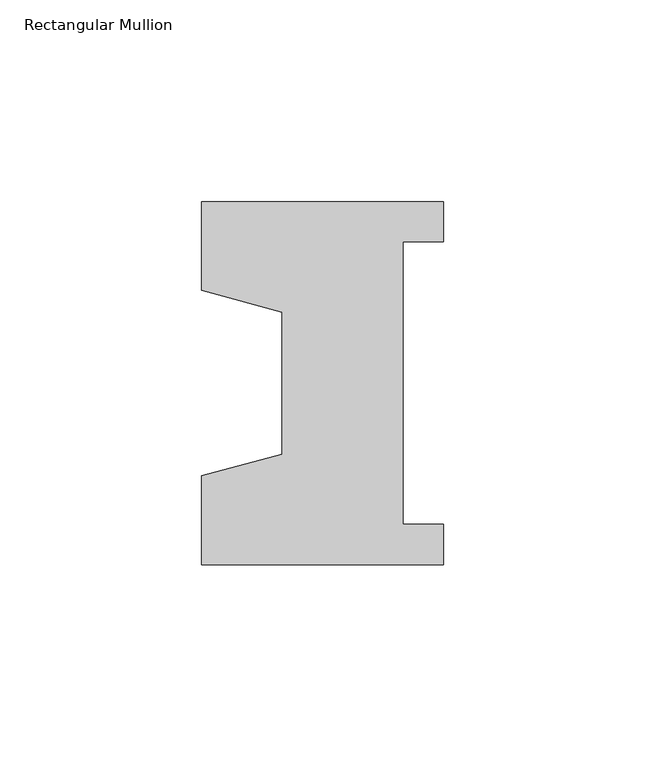
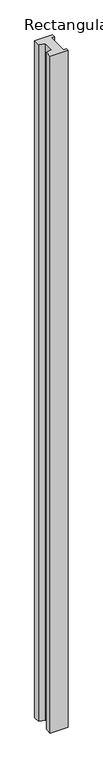
"""IFC4 building model written with IfcOpenShell, lengths in millimetres: member geometry, Rectangular Mullion."""

import ifcopenshell
import ifcopenshell.guid

model = None  # the IFC model being written
_history = None  # IfcOwnerHistory: only IFC2X3 demands one
_inside = {}  # id of a spatial element -> (the spatial element, [elements in it])
_under = {}  # id of a project, library or spatial element -> (it, [spatial elements below it])
_declared = {}  # id of a project -> (the project, [libraries it declares])
_typed = {}  # id of a type object -> (the type object, [elements of that type])
_made_of = {}  # id of a material, layer set ... -> (it, [elements and type objects made of it])


def new_model(schema):
    """Start an empty IFC model of exactly this schema.

    Asked for "IFC4X3", IfcOpenShell would pick the latest addendum, in which some entities
    have other attributes; the version numbers below select the first issue.
    IFC2X3 requires an IfcOwnerHistory on every rooted entity: one is made here for all.
    """
    global model, _history
    if schema == "IFC4X3":
        model = ifcopenshell.file(schema_version=(4, 3, 0, 0))
    else:
        model = ifcopenshell.file(schema=schema)
    _inside.clear()
    _under.clear()
    _declared.clear()
    _typed.clear()
    _made_of.clear()
    _history = None
    if model.schema == "IFC2X3":
        org = make("IfcOrganization", Name="unknown")
        user = make(
            "IfcPersonAndOrganization",
            ThePerson=make("IfcPerson", FamilyName="unknown"),
            TheOrganization=org,
        )
        app = make(
            "IfcApplication",
            ApplicationDeveloper=org,
            Version="unknown",
            ApplicationFullName="unknown",
            ApplicationIdentifier="unknown",
        )
        _history = make(
            "IfcOwnerHistory",
            OwningUser=user,
            OwningApplication=app,
            ChangeAction="ADDED",
            CreationDate=0,
        )
    return model


def make(cls, **values):
    """One entity of the class cls with the attributes given. An attribute that is None is left unset."""
    return model.create_entity(
        cls, **{name: value for name, value in values.items() if value is not None}
    )


def rooted(cls, **values):
    """An entity with a GlobalId (a new one), such as an element, a storey or a relation."""
    return make(cls, GlobalId=ifcopenshell.guid.new(), OwnerHistory=_history, **values)


def si_unit(unit_type, name, prefix=None):
    """IfcSIUnit, for example si_unit("LENGTHUNIT", "METRE", prefix="MILLI")."""
    return make("IfcSIUnit", UnitType=unit_type, Prefix=prefix, Name=name)


def assignment(units):
    """IfcUnitAssignment: the units of a project."""
    return None if units is None else make("IfcUnitAssignment", Units=units)


def point(xyz):
    """IfcCartesianPoint."""
    return None if xyz is None else make("IfcCartesianPoint", Coordinates=xyz)


def direction(xyz):
    """IfcDirection."""
    return None if xyz is None else make("IfcDirection", DirectionRatios=xyz)


def frame(location, z_axis=None, x_axis=None):
    """IfcAxis2Placement3D, a coordinate frame: its origin and axes. An axis left out is left unset."""
    return make(
        "IfcAxis2Placement3D",
        Location=point(location),
        Axis=direction(z_axis),
        RefDirection=direction(x_axis),
    )


def origin():
    """The frame at (0, 0, 0) with its axes left unset."""
    return frame((0.0, 0.0, 0.0))


def place(relative_to, where):
    """IfcLocalPlacement: puts the frame where relative to a parent placement (None: the world)."""
    return make(
        "IfcLocalPlacement", PlacementRelTo=relative_to, RelativePlacement=where
    )


def context(
    kind, dimensions, precision=None, world=None, true_north=None, identifier=None
):
    """IfcGeometricRepresentationContext, for example the 3D "Model" context."""
    return make(
        "IfcGeometricRepresentationContext",
        ContextIdentifier=identifier,
        ContextType=kind,
        CoordinateSpaceDimension=dimensions,
        Precision=precision,
        WorldCoordinateSystem=world,
        TrueNorth=true_north,
    )


def project(units=None, contexts=None):
    """IfcProject with its units and contexts."""
    return rooted(
        "IfcProject",
        Name="project",
        RepresentationContexts=contexts,
        UnitsInContext=assignment(units),
    )


def spatial(cls, under=None, at=None, **own):
    """A site, building, storey or space (cls), placed at a placement, below another one or the project."""
    s = rooted(cls, ObjectPlacement=at, **own)
    if under is not None:
        _under.setdefault(under.id(), (under, []))[1].append(s)
    return s


def polyline(points):
    """IfcPolyline through the points."""
    return make("IfcPolyline", Points=[point(p) for p in points])


def outline(outer, holes=None, kind="AREA"):
    """IfcArbitraryClosedProfileDef: a profile drawn as a closed curve; with holes, ...WithVoids."""
    if holes is None:
        return make("IfcArbitraryClosedProfileDef", ProfileType=kind, OuterCurve=outer)
    return make(
        "IfcArbitraryProfileDefWithVoids",
        ProfileType=kind,
        OuterCurve=outer,
        InnerCurves=holes,
    )


def extrude(swept, where, along, depth):
    """IfcExtrudedAreaSolid: the profile swept, set in the frame where, extruded along a direction by depth."""
    return make(
        "IfcExtrudedAreaSolid",
        SweptArea=swept,
        Position=where,
        ExtrudedDirection=direction(along),
        Depth=depth,
    )


def shape(context_of_items, identifier, shape_type, items):
    """IfcShapeRepresentation: the items that make up one representation, for example the "Body"."""
    return make(
        "IfcShapeRepresentation",
        ContextOfItems=context_of_items,
        RepresentationIdentifier=identifier,
        RepresentationType=shape_type,
        Items=items,
    )


def source(mapping_origin, context_of_items, identifier, shape_type, items):
    """IfcRepresentationMap: a shape defined once, which mapped items show again and again."""
    return make(
        "IfcRepresentationMap",
        MappingOrigin=mapping_origin,
        MappedRepresentation=shape(context_of_items, identifier, shape_type, items),
    )


def transform(
    local_origin,
    x_axis=None,
    y_axis=None,
    z_axis=None,
    scale=None,
    scale2=None,
    scale3=None,
    uniform=True,
):
    """IfcCartesianTransformationOperator3D, or its non-uniform kind. x_axis, y_axis, z_axis: its Axis1, 2, 3."""
    if uniform:
        return make(
            "IfcCartesianTransformationOperator3D",
            Axis1=direction(x_axis),
            Axis2=direction(y_axis),
            LocalOrigin=point(local_origin),
            Scale=scale,
            Axis3=direction(z_axis),
        )
    return make(
        "IfcCartesianTransformationOperator3DnonUniform",
        Axis1=direction(x_axis),
        Axis2=direction(y_axis),
        LocalOrigin=point(local_origin),
        Scale=scale,
        Axis3=direction(z_axis),
        Scale2=scale2,
        Scale3=scale3,
    )


def mapped(mapping_source, mapping_target):
    """IfcMappedItem: shows the shape of a source again, moved by a transform."""
    return make(
        "IfcMappedItem", MappingSource=mapping_source, MappingTarget=mapping_target
    )


def made_of(thing, what):
    """Note that an element or type object is made of a material, layer set ...; save() writes the relation."""
    if what is not None:
        _made_of.setdefault(what.id(), (what, []))[1].append(thing)
    return thing


def element(
    cls,
    number,
    at=None,
    inside=None,
    cuts=None,
    type_object=None,
    material=None,
    context=None,
    identifier="Body",
    shape_type=None,
    held_by="IfcProductDefinitionShape",
    body=None,
    shapes=None,
    **own,
):
    """One element of the class cls, such as IfcWall. Its Tag is "e" and its number.

    at: its placement. inside: the storey or other place that contains it. cuts: it is an
    opening in that element (IfcRelVoidsElement). A single representation is given by context,
    identifier, shape_type and body (its items); several are given by shapes. held_by: the class
    of the entity that holds the representations. save() writes the other relations.
    """
    e = rooted(cls, Tag="e%d" % number, ObjectPlacement=at, **own)
    if body is not None:
        shapes = [shape(context, identifier, shape_type, body)]
    if shapes is not None:
        e.Representation = make(held_by, Representations=shapes)
    if inside is not None:
        _inside.setdefault(inside.id(), (inside, []))[1].append(e)
    if cuts is not None:
        rooted(
            "IfcRelVoidsElement", RelatingBuildingElement=cuts, RelatedOpeningElement=e
        )
    if type_object is not None:
        _typed.setdefault(type_object.id(), (type_object, []))[1].append(e)
    return made_of(e, material)


def aggregate(whole, parts):
    """IfcRelAggregates: a whole, such as a stair, and the parts it consists of."""
    return rooted("IfcRelAggregates", RelatingObject=whole, RelatedObjects=parts)


def save(model, path):
    """Write the relations noted so far, then the file.

    IfcRelAggregates (storeys below a building ...), IfcRelContainedInSpatialStructure (elements
    in a storey), IfcRelDefinesByType, IfcRelAssociatesMaterial and IfcRelDeclares: one each for
    every whole, place, type object, material and project.
    """
    for whole, parts in _under.values():
        aggregate(whole, parts)
    for where, things in _inside.values():
        rooted(
            "IfcRelContainedInSpatialStructure",
            RelatedElements=things,
            RelatingStructure=where,
        )
    for kind, things in _typed.values():
        rooted("IfcRelDefinesByType", RelatedObjects=things, RelatingType=kind)
    for what, things in _made_of.values():
        rooted("IfcRelAssociatesMaterial", RelatedObjects=things, RelatingMaterial=what)
    for by, libraries in _declared.values():
        rooted("IfcRelDeclares", RelatingContext=by, RelatedDefinitions=libraries)
    model.write(path)


def rectangular_mullion_1bf65263(model_context):
    return source(origin(), model_context, "Body", "SweptSolid", [
        extrude(outline(polyline([(-60.0, 45.0), (0.0, 45.0), (0.0, 35.0), (-10.0, 35.0), (-10.0, -35.0), (0.0, -35.0), (0.0, -45.0), (-60.0, -45.0), (-60.0, -22.9993165), (-40.0, -17.6401049), (-40.0, 17.6401049), (-60.0, 22.9993165), (-60.0, 45.0)])), frame((0.0, 0.0, -2400.0), z_axis=(0.0, 0.0, 1.0), x_axis=(1.0, 0.0, 0.0)), (0.0, 0.0, 1.0), 2400.0),
    ])


if __name__ == "__main__":
    model = new_model("IFC4")
    model_context = context("Model", 3, world=origin())
    ifc_project = project(units=[si_unit("LENGTHUNIT", "METRE", prefix="MILLI")], contexts=[model_context])
    site = spatial("IfcSite", under=ifc_project)
    building = spatial("IfcBuilding", under=site)
    placement = place(None, origin())
    rectangular_mullion_shape = rectangular_mullion_1bf65263(model_context)
    element("IfcMember", 1, ObjectType="Rectangular Mullion", at=placement, inside=building, context=model_context, shape_type="MappedRepresentation", body=[
        mapped(rectangular_mullion_shape, transform((0.0, 0.0, 0.0), x_axis=(1.0, 0.0, 0.0), y_axis=(0.0, 1.0, 0.0), z_axis=(0.0, 0.0, 1.0))),
    ])
    save(model, "model.ifc")
